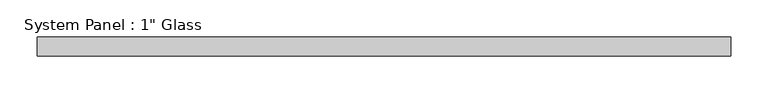
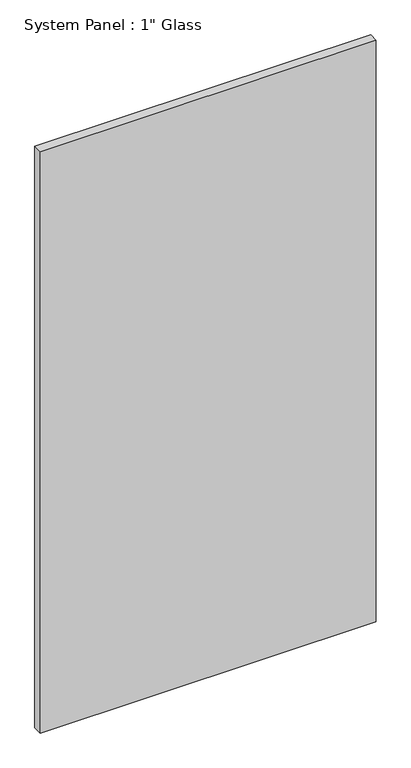
"""IFC4 building model written with IfcOpenShell, lengths in millimetres: plate geometry."""

from ifc_helpers import new_model, si_unit, origin, origin_with_axes, place, context, project, spatial, polyline, outline, extrude, source, transform, mapped, element, save


def plate_4505f115(model_context):
    return source(origin(), model_context, "Body", "SweptSolid", [
        extrude(outline(polyline([(463.4799025, -12.7), (-463.4799025, -12.7), (-463.4799025, 12.7), (463.4799025, 12.7), (463.4799025, -12.7)])), origin_with_axes(), (0.0, 0.0, 1.0), 1695.45),
    ])


if __name__ == "__main__":
    model = new_model("IFC4")
    model_context = context("Model", 3, world=origin())
    ifc_project = project(units=[si_unit("LENGTHUNIT", "METRE", prefix="MILLI")], contexts=[model_context])
    site = spatial("IfcSite", under=ifc_project)
    building = spatial("IfcBuilding", under=site)
    placement = place(None, origin())
    plate_shape = plate_4505f115(model_context)
    element("IfcPlate", 1, ObjectType="System Panel : 1\" Glass", at=placement, inside=building, context=model_context, shape_type="MappedRepresentation", body=[
        mapped(plate_shape, transform((0.0, 0.0, 0.0), x_axis=(1.0, 0.0, 0.0), y_axis=(0.0, 1.0, 0.0), z_axis=(0.0, 0.0, 1.0))),
    ])
    save(model, "model.ifc")
